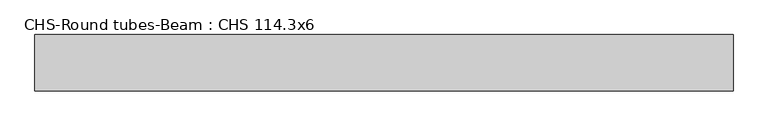
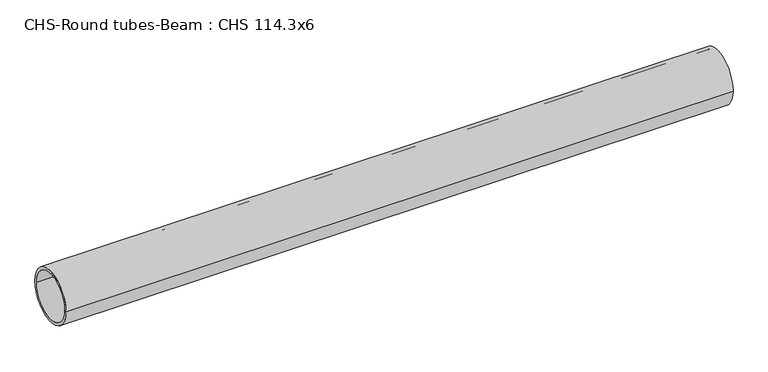
"""IFC4 building model written with IfcOpenShell, lengths in millimetres: beam geometry, CHS-Round tubes-Beam : CHS 114.3x6."""

from ifc_helpers import new_model, si_unit, point, frame, origin, origin_2d, place, context, project, spatial, circle_curve, trimmed, segment, composite_curve, outline, extrude, source, transform, mapped, element, save


def chs_round_tubes_beam_chs_114_3x6_7d28671b(model_context):
    return source(origin(), model_context, "Body", "SweptSolid", [
        extrude(outline(composite_curve([segment(trimmed(circle_curve(origin_2d(), 57.15), [point((57.15, 0.0))], [point((-57.15, 0.0))], False, "CARTESIAN"), True, "CONTINUOUS"), segment(trimmed(circle_curve(origin_2d(), 57.15), [point((-57.15, 0.0))], [point((57.15, 0.0))], False, "CARTESIAN"), True, "CONTINUOUS")], self_intersect=False), holes=[composite_curve([segment(trimmed(circle_curve(origin_2d(), 51.15), [point((51.15, 0.0))], [point((-51.15, 0.0))], True, "CARTESIAN"), True, "CONTINUOUS"), segment(trimmed(circle_curve(origin_2d(), 51.15), [point((-51.15, 0.0))], [point((51.15, 0.0))], True, "CARTESIAN"), True, "CONTINUOUS")], self_intersect=False)]), frame((-781.3581632, 0.0, 0.0), z_axis=(1.0, 0.0, 0.0), x_axis=(0.0, 1.0, 0.0)), (0.0, 0.0, 1.0), 1418.4926467),
    ])


if __name__ == "__main__":
    model = new_model("IFC4")
    model_context = context("Model", 3, world=origin())
    ifc_project = project(units=[si_unit("LENGTHUNIT", "METRE", prefix="MILLI")], contexts=[model_context])
    site = spatial("IfcSite", under=ifc_project)
    building = spatial("IfcBuilding", under=site)
    placement = place(None, origin())
    chs_round_tubes_beam_chs_114_3x6_shape = chs_round_tubes_beam_chs_114_3x6_7d28671b(model_context)
    element("IfcBeam", 1, ObjectType="CHS-Round tubes-Beam : CHS 114.3x6", at=placement, inside=building, context=model_context, shape_type="MappedRepresentation", body=[
        mapped(chs_round_tubes_beam_chs_114_3x6_shape, transform((0.0, 0.0, 0.0), x_axis=(1.0, 0.0, 0.0), y_axis=(0.0, 1.0, 0.0), z_axis=(0.0, 0.0, 1.0))),
    ])
    save(model, "model.ifc")
